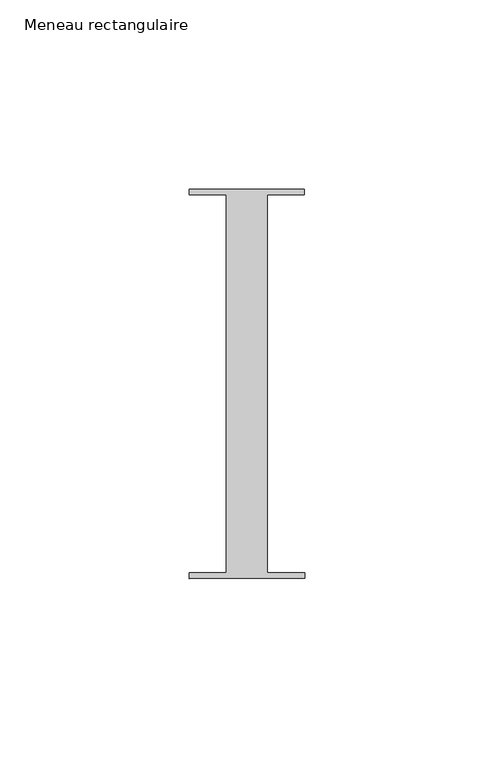
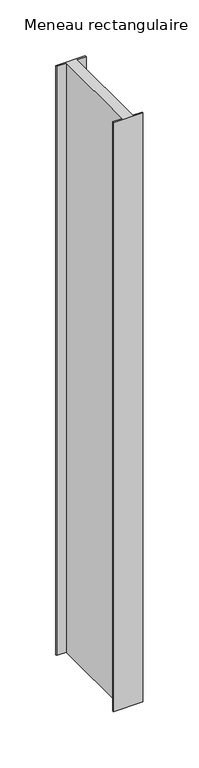
"""IFC4 building model written with IfcOpenShell, lengths in millimetres: member geometry, Meneau rectangulaire."""

from ifc_helpers import new_model, si_unit, frame, origin, place, context, project, spatial, polyline, outline, extrude, source, transform, mapped, element, save


def meneau_rectangulaire_9c63f655(model_context):
    return source(origin(), model_context, "Body", "SweptSolid", [
        extrude(outline(polyline([(15.1919193, 51.5152664), (15.1934333, 50.0054494), (5.4028486, 50.0054494), (5.4028486, -49.9846825), (15.2937013, -49.9846825), (15.2952055, -51.4846817), (-15.2047792, -51.5152664), (-15.2062834, -50.0152672), (-5.4194144, -50.0152672), (-5.4194144, 49.9942223), (-15.3065707, 49.9942223), (-15.3080653, 51.4846817), (15.1919193, 51.5152664)])), frame((0.0, 0.0, -644.4849432), z_axis=(0.0, 0.0, 1.0), x_axis=(1.0, 0.0, 0.0)), (0.0, 0.0, 1.0), 644.4849432),
    ])


if __name__ == "__main__":
    model = new_model("IFC4")
    model_context = context("Model", 3, world=origin())
    ifc_project = project(units=[si_unit("LENGTHUNIT", "METRE", prefix="MILLI")], contexts=[model_context])
    site = spatial("IfcSite", under=ifc_project)
    building = spatial("IfcBuilding", under=site)
    placement = place(None, origin())
    meneau_rectangulaire_shape = meneau_rectangulaire_9c63f655(model_context)
    element("IfcMember", 1, ObjectType="Meneau rectangulaire", at=placement, inside=building, context=model_context, shape_type="MappedRepresentation", body=[
        mapped(meneau_rectangulaire_shape, transform((0.0, 0.0, 0.0), x_axis=(1.0, 0.0, 0.0), y_axis=(0.0, 1.0, 0.0), z_axis=(0.0, 0.0, 1.0))),
    ])
    save(model, "model.ifc")
